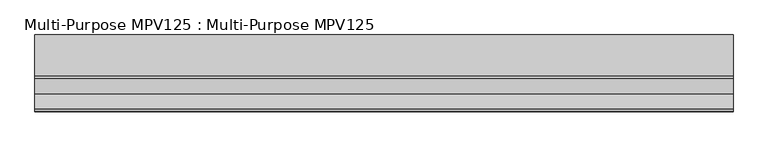
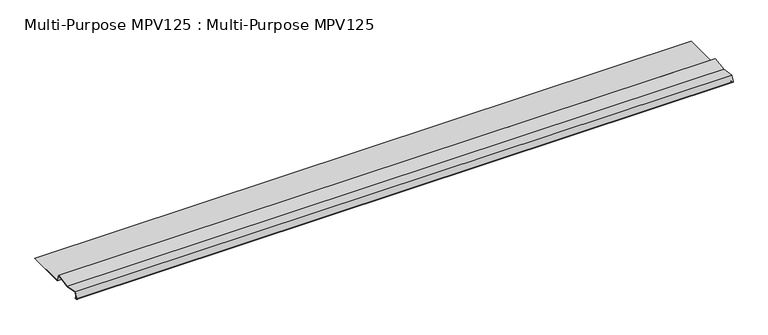
"""IFC4 building model written with IfcOpenShell, lengths in millimetres: proxy geometry, Multi-Purpose MPV125 : Multi-Purpose MPV125."""

from ifc_helpers import new_model, si_unit, point, frame, frame_2d, origin, place, context, project, spatial, polyline, circle_curve, trimmed, segment, composite_curve, outline, extrude, source, transform, mapped, element, save


def multi_purpose_mpv125_multi_purpose_mpv125_14601b9b(model_context):
    return source(origin(), model_context, "Body", "SweptSolid", [
        extrude(outline(composite_curve([segment(polyline([(-235.1595159, 135.673167), (-235.6938305, 135.0606706), (-236.574935, 135.8293071)]), True, "CONTINUOUS"), segment(trimmed(circle_curve(frame_2d((-237.8731525, 134.3411324)), 1.97485), [point((-236.574935, 135.8293071))], [point((-238.9629077, 135.9880891))], True, "CARTESIAN"), True, "CONTINUOUS"), segment(polyline([(-238.9629077, 135.9880891), (-241.766139, 134.1332522)]), True, "CONTINUOUS"), segment(trimmed(circle_curve(frame_2d((-243.0801525, 136.1191324)), 2.38125), [point((-241.766139, 134.1332522))], [point((-245.3177955, 136.9335679))], False, "CARTESIAN"), True, "CONTINUOUS"), segment(polyline([(-245.3177955, 136.9335679), (-235.22071, 164.6750824), (-168.54571, 151.7147753), (-101.87071, 164.6750824), (-90.6104901, 133.7378824), (89.8185975, 133.7378824), (89.8185975, 132.9250824), (-91.1796188, 132.9250824), (-102.3970629, 163.7447569), (-168.54571, 150.8867624), (-234.6943571, 163.7447569), (-244.5540134, 136.6555739)]), True, "CONTINUOUS"), segment(trimmed(circle_curve(frame_2d((-243.0801525, 136.1191324)), 1.56845), [point((-244.5540134, 136.6555739))], [point((-242.2146556, 134.8110993))], True, "CARTESIAN"), True, "CONTINUOUS"), segment(polyline([(-242.2146556, 134.8110993), (-239.4114243, 136.6659362)]), True, "CONTINUOUS"), segment(trimmed(circle_curve(frame_2d((-237.8731525, 134.3411324)), 2.78765), [point((-239.4114243, 136.6659362))], [point((-236.0406204, 136.4418034))], False, "CARTESIAN"), True, "CONTINUOUS"), segment(polyline([(-236.0406204, 136.4418034), (-235.1595159, 135.673167)]), True, "CONTINUOUS")], self_intersect=False)), frame((-1102.2989423, 0.0, 0.0), z_axis=(1.0, 0.0, 0.0), x_axis=(0.0, 1.0, 0.0)), (0.0, 0.0, 1.0), 3048.0),
    ])


if __name__ == "__main__":
    model = new_model("IFC4")
    model_context = context("Model", 3, world=origin())
    ifc_project = project(units=[si_unit("LENGTHUNIT", "METRE", prefix="MILLI")], contexts=[model_context])
    site = spatial("IfcSite", under=ifc_project)
    building = spatial("IfcBuilding", under=site)
    placement = place(None, origin())
    multi_purpose_mpv125_multi_purpose_mpv125_shape = multi_purpose_mpv125_multi_purpose_mpv125_14601b9b(model_context)
    element("IfcBuildingElementProxy", 1, Name="Multi-Purpose MPV125 : Multi-Purpose MPV125", ObjectType="Multi-Purpose MPV125 : Multi-Purpose MPV125", at=placement, inside=building, context=model_context, shape_type="MappedRepresentation", body=[
        mapped(multi_purpose_mpv125_multi_purpose_mpv125_shape, transform((0.0, 0.0, 0.0), x_axis=(1.0, 0.0, 0.0), y_axis=(0.0, 1.0, 0.0), z_axis=(0.0, 0.0, 1.0))),
    ])
    save(model, "model.ifc")
